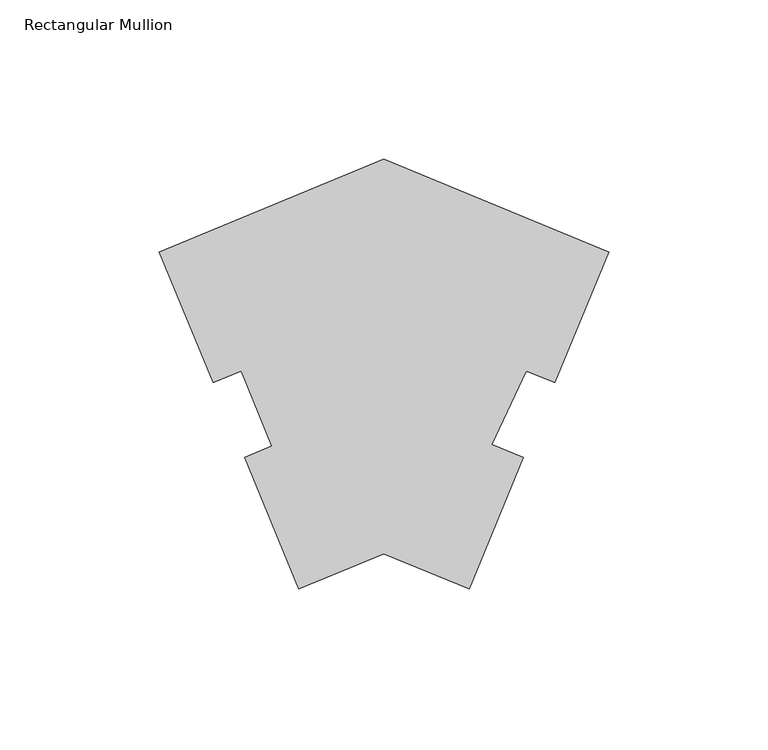
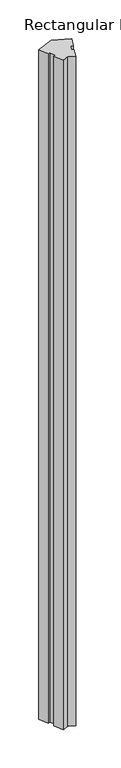
"""IFC4 building model written with IfcOpenShell, lengths in millimetres: member geometry, Rectangular Mullion."""

from ifc_helpers import new_model, si_unit, frame, origin, place, context, project, spatial, polyline, outline, extrude, source, transform, mapped, element, save


def rectangular_mullion_56089e39(model_context):
    return source(origin(), model_context, "Body", "SweptSolid", [
        extrude(outline(polyline([(-70.4101008, -80.6902381), (-97.0794852, -91.7370588), (-114.1470683, -50.5322682), (-105.5595239, -46.9751909), (-115.1077473, -23.3425086), (-123.9007882, -26.9847054), (-140.8202015, 13.8623718), (-70.4101008, 43.0271904), (0.0, 13.8623718), (-16.9194133, -26.9847054), (-25.7930596, -23.3091208), (-36.5748883, -46.430827), (-26.6731332, -50.5322682), (-43.7407163, -91.7370588), (-70.4101008, -80.6902381)])), frame((0.0, 0.0, -3048.0), z_axis=(0.0, 0.0, 1.0), x_axis=(1.0, 0.0, 0.0)), (0.0, 0.0, 1.0), 3048.0),
    ])


if __name__ == "__main__":
    model = new_model("IFC4")
    model_context = context("Model", 3, world=origin())
    ifc_project = project(units=[si_unit("LENGTHUNIT", "METRE", prefix="MILLI")], contexts=[model_context])
    site = spatial("IfcSite", under=ifc_project)
    building = spatial("IfcBuilding", under=site)
    placement = place(None, origin())
    rectangular_mullion_shape = rectangular_mullion_56089e39(model_context)
    element("IfcMember", 1, ObjectType="Rectangular Mullion", at=placement, inside=building, context=model_context, shape_type="MappedRepresentation", body=[
        mapped(rectangular_mullion_shape, transform((0.0, 0.0, 0.0), x_axis=(1.0, 0.0, 0.0), y_axis=(0.0, 1.0, 0.0), z_axis=(0.0, 0.0, 1.0))),
    ])
    save(model, "model.ifc")
